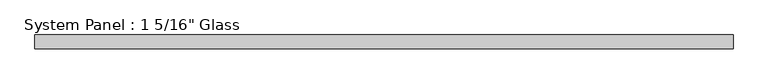
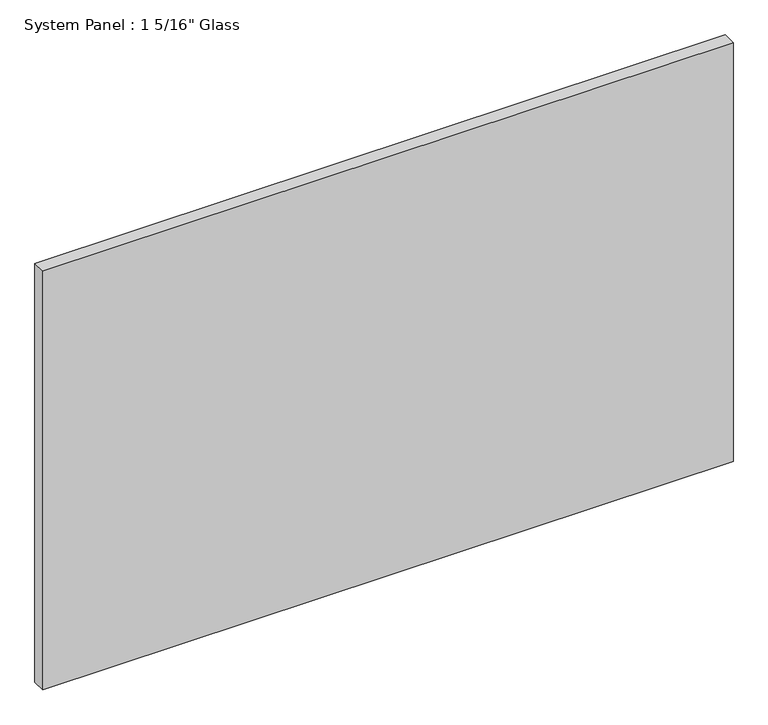
"""IFC4 building model written with IfcOpenShell, lengths in millimetres: plate geometry."""

from ifc_helpers import new_model, si_unit, origin, origin_with_axes, place, context, project, spatial, polyline, outline, extrude, source, transform, mapped, element, save


def plate_af4071ed(model_context):
    return source(origin(), model_context, "Body", "SweptSolid", [
        extrude(outline(polyline([(850.9, -16.66875), (-850.9, -16.66875), (-850.9, 16.66875), (850.9, 16.66875), (850.9, -16.66875)])), origin_with_axes(), (0.0, 0.0, 1.0), 1092.2),
    ])


if __name__ == "__main__":
    model = new_model("IFC4")
    model_context = context("Model", 3, world=origin())
    ifc_project = project(units=[si_unit("LENGTHUNIT", "METRE", prefix="MILLI")], contexts=[model_context])
    site = spatial("IfcSite", under=ifc_project)
    building = spatial("IfcBuilding", under=site)
    placement = place(None, origin())
    plate_shape = plate_af4071ed(model_context)
    element("IfcPlate", 1, ObjectType="System Panel : 1 5/16\" Glass", at=placement, inside=building, context=model_context, shape_type="MappedRepresentation", body=[
        mapped(plate_shape, transform((0.0, 0.0, 0.0), x_axis=(1.0, 0.0, 0.0), y_axis=(0.0, 1.0, 0.0), z_axis=(0.0, 0.0, 1.0))),
    ])
    save(model, "model.ifc")
